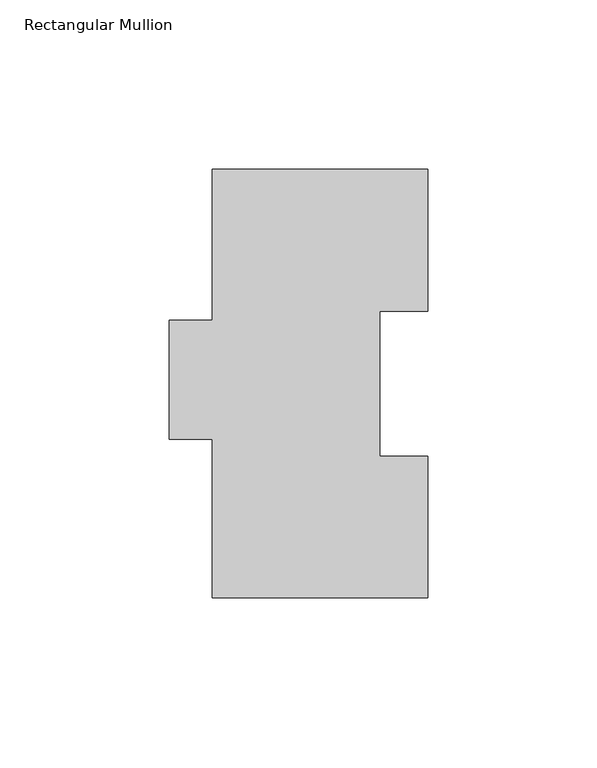
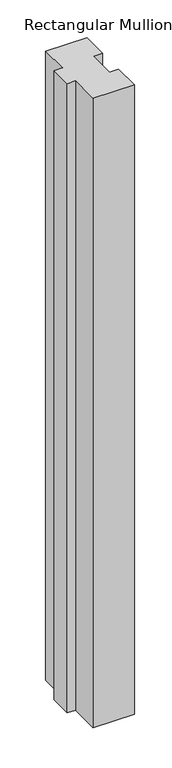
"""IFC4 building model written with IfcOpenShell, lengths in millimetres: member geometry, Rectangular Mullion."""

from ifc_helpers import new_model, si_unit, frame, origin, place, context, project, spatial, polyline, outline, extrude, source, transform, mapped, element, save


def rectangular_mullion_b316a76e(model_context):
    return source(origin(), model_context, "Body", "SweptSolid", [
        extrude(outline(polyline([(-63.5, 125.7601625), (0.0, 125.7601625), (0.0, 83.9390625), (-14.1590561, 83.9390625), (-14.1590561, 41.0892625), (0.0, 41.0892625), (0.0, -0.7318375), (-63.5, -0.7318375), (-63.5, 46.1311625), (-76.2, 46.1311625), (-76.2, 81.3101625), (-63.5, 81.3101625), (-63.5, 125.7601625)])), frame((0.0, 0.0, -1022.3505426), z_axis=(0.0, 0.0, 1.0), x_axis=(1.0, 0.0, 0.0)), (0.0, 0.0, 1.0), 1022.3505426),
    ])


if __name__ == "__main__":
    model = new_model("IFC4")
    model_context = context("Model", 3, world=origin())
    ifc_project = project(units=[si_unit("LENGTHUNIT", "METRE", prefix="MILLI")], contexts=[model_context])
    site = spatial("IfcSite", under=ifc_project)
    building = spatial("IfcBuilding", under=site)
    placement = place(None, origin())
    rectangular_mullion_shape = rectangular_mullion_b316a76e(model_context)
    element("IfcMember", 1, ObjectType="Rectangular Mullion", at=placement, inside=building, context=model_context, shape_type="MappedRepresentation", body=[
        mapped(rectangular_mullion_shape, transform((0.0, 0.0, 0.0), x_axis=(1.0, 0.0, 0.0), y_axis=(0.0, 1.0, 0.0), z_axis=(0.0, 0.0, 1.0))),
    ])
    save(model, "model.ifc")
